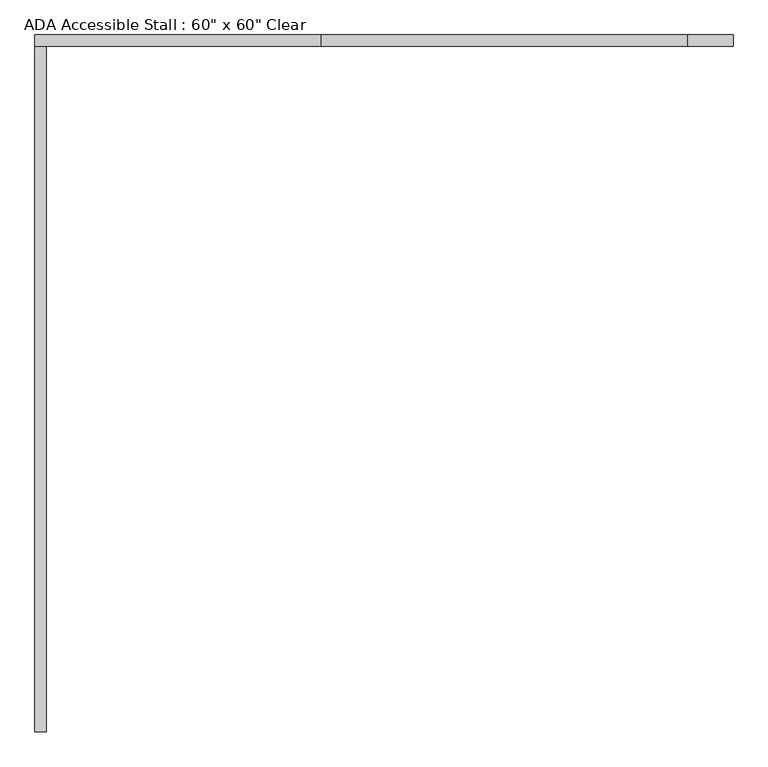
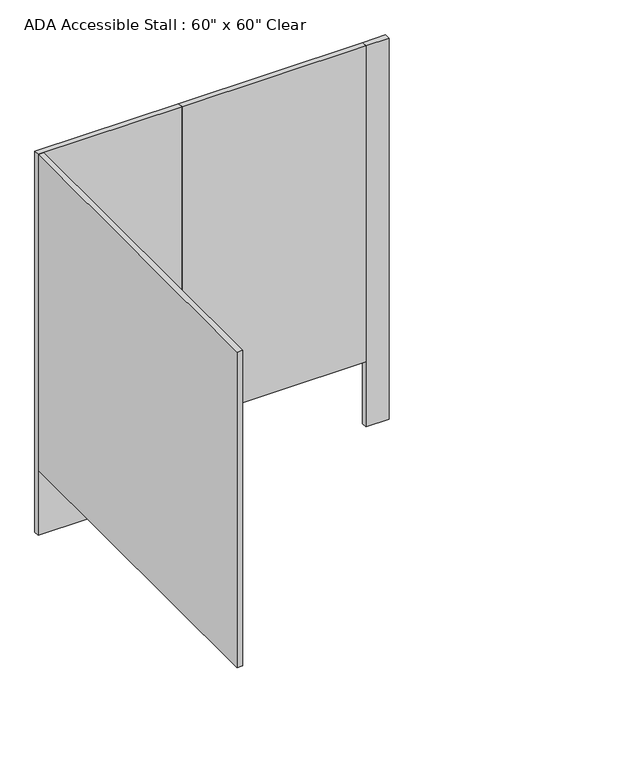
"""IFC4 building model written with IfcOpenShell, lengths in millimetres: proxy geometry."""

from ifc_helpers import new_model, si_unit, frame, origin, origin_with_axes, place, context, project, spatial, polyline, outline, extrude, source, transform, mapped, element, save


def proxy_57f62d83(model_context):
    return source(origin(), model_context, "Body", "SweptSolid", [
        extrude(outline(polyline([(1370.1031538, 1611.3125), (1370.1031538, 1585.9125), (557.3031538, 1585.9125), (557.3031538, 1611.3125), (1370.1031538, 1611.3125)])), frame((0.0, 0.0, 304.8), z_axis=(0.0, 0.0, 1.0), x_axis=(1.0, 0.0, 0.0)), (0.0, 0.0, 1.0), 1473.2),
        extrude(outline(polyline([(557.3031538, 1611.3125), (557.3031538, 1585.9125), (-77.6968462, 1585.9125), (-77.6968462, 1611.3125), (557.3031538, 1611.3125)])), origin_with_axes(), (0.0, 0.0, 1.0), 1778.0),
        extrude(outline(polyline([(1471.7031538, 1611.3125), (1471.7031538, 1585.9125), (1370.1031538, 1585.9125), (1370.1031538, 1611.3125), (1471.7031538, 1611.3125)])), origin_with_axes(), (0.0, 0.0, 1.0), 1778.0),
        extrude(outline(polyline([(-77.6968462, 1585.9125), (-52.2968462, 1585.9125), (-52.2968462, 65.0875), (-77.6968462, 65.0875), (-77.6968462, 1585.9125)])), frame((0.0, 0.0, 304.8), z_axis=(0.0, 0.0, 1.0), x_axis=(1.0, 0.0, 0.0)), (0.0, 0.0, 1.0), 1473.2),
    ])


if __name__ == "__main__":
    model = new_model("IFC4")
    model_context = context("Model", 3, world=origin())
    ifc_project = project(units=[si_unit("LENGTHUNIT", "METRE", prefix="MILLI")], contexts=[model_context])
    site = spatial("IfcSite", under=ifc_project)
    building = spatial("IfcBuilding", under=site)
    placement = place(None, origin())
    proxy_shape = proxy_57f62d83(model_context)
    element("IfcBuildingElementProxy", 1, Name="ADA Accessible Stall : 60\" x 60\" Clear", ObjectType="ADA Accessible Stall : 60\" x 60\" Clear", at=placement, inside=building, context=model_context, shape_type="MappedRepresentation", body=[
        mapped(proxy_shape, transform((0.0, 0.0, 0.0), x_axis=(1.0, 0.0, 0.0), y_axis=(0.0, 1.0, 0.0), z_axis=(0.0, 0.0, 1.0))),
    ])
    save(model, "model.ifc")
